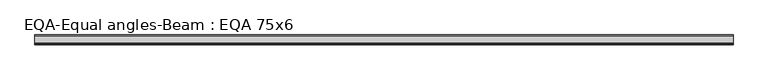
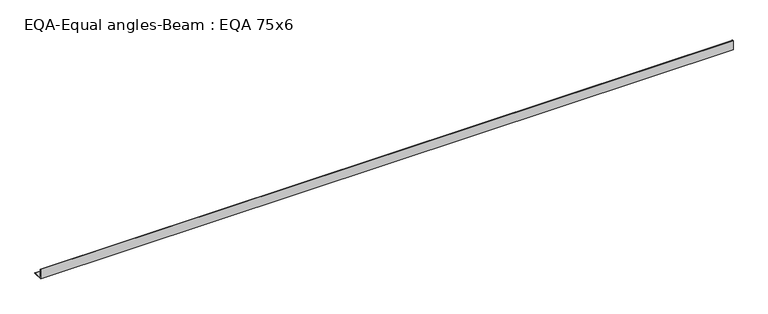
"""IFC4 building model written with IfcOpenShell, lengths in millimetres: beam geometry, EQA-Equal angles-Beam : EQA 75x6."""

from ifc_helpers import new_model, si_unit, point, frame, frame_2d, origin, place, context, project, spatial, polyline, circle_curve, trimmed, segment, composite_curve, outline, extrude, source, transform, mapped, element, save


def eqa_equal_angles_beam_eqa_75x6_a987c5bb(model_context):
    return source(origin(), model_context, "Body", "SweptSolid", [
        extrude(outline(composite_curve([segment(polyline([(-20.5, -20.5), (-20.5, 54.5), (-19.0, 54.5)]), True, "CONTINUOUS"), segment(trimmed(circle_curve(frame_2d((-19.0, 50.0)), 4.5), [point((-19.0, 54.5))], [point((-14.5, 50.0))], False, "CARTESIAN"), True, "CONTINUOUS"), segment(polyline([(-14.5, 50.0), (-14.5, -5.5)]), True, "CONTINUOUS"), segment(trimmed(circle_curve(frame_2d((-5.5, -5.5)), 9.0), [point((-14.5, -5.5))], [point((-5.5, -14.5))], True, "CARTESIAN"), True, "CONTINUOUS"), segment(polyline([(-5.5, -14.5), (50.0, -14.5)]), True, "CONTINUOUS"), segment(trimmed(circle_curve(frame_2d((50.0, -19.0)), 4.5), [point((50.0, -14.5))], [point((54.5, -19.0))], False, "CARTESIAN"), True, "CONTINUOUS"), segment(polyline([(54.5, -19.0), (54.5, -20.5), (-20.5, -20.5)]), True, "CONTINUOUS")], self_intersect=False)), frame((-2619.0503507, 0.0, 0.0), z_axis=(1.0, 0.0, 0.0), x_axis=(0.0, 1.0, 0.0)), (0.0, 0.0, 1.0), 5272.0807726),
    ])


if __name__ == "__main__":
    model = new_model("IFC4")
    model_context = context("Model", 3, world=origin())
    ifc_project = project(units=[si_unit("LENGTHUNIT", "METRE", prefix="MILLI")], contexts=[model_context])
    site = spatial("IfcSite", under=ifc_project)
    building = spatial("IfcBuilding", under=site)
    placement = place(None, origin())
    eqa_equal_angles_beam_eqa_75x6_shape = eqa_equal_angles_beam_eqa_75x6_a987c5bb(model_context)
    element("IfcBeam", 1, ObjectType="EQA-Equal angles-Beam : EQA 75x6", at=placement, inside=building, context=model_context, shape_type="MappedRepresentation", body=[
        mapped(eqa_equal_angles_beam_eqa_75x6_shape, transform((0.0, 0.0, 0.0), x_axis=(1.0, 0.0, 0.0), y_axis=(0.0, 1.0, 0.0), z_axis=(0.0, 0.0, 1.0))),
    ])
    save(model, "model.ifc")
